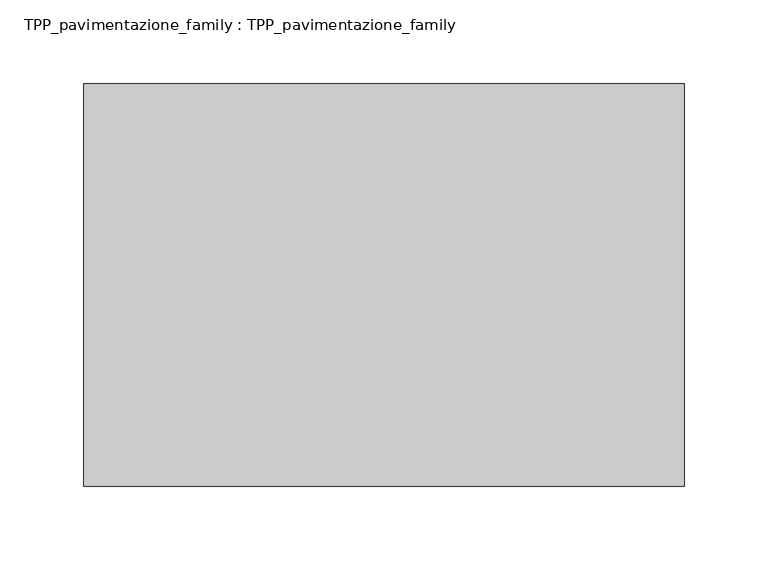
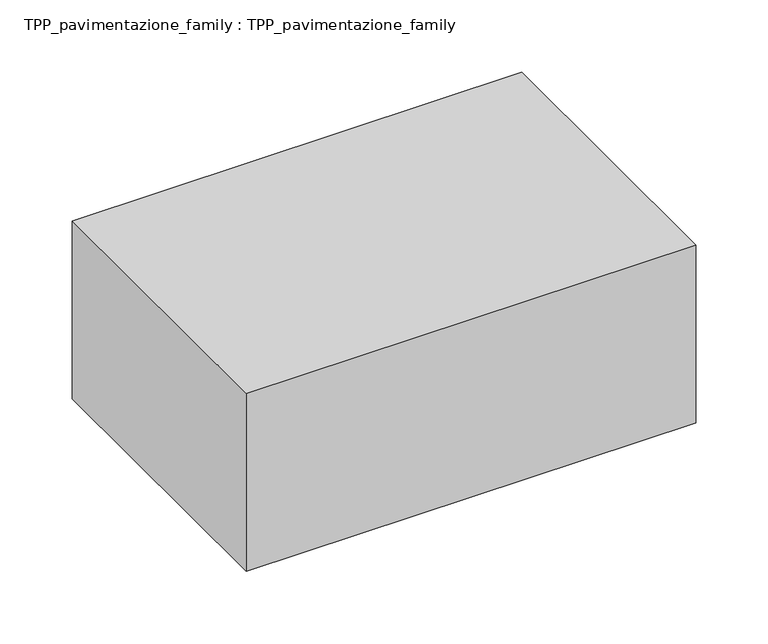
"""IFC4 building model written with IfcOpenShell, lengths in millimetres: proxy geometry, TPP_pavimentazione_family : TPP_pavimentazione_family."""

from ifc_helpers import new_model, si_unit, origin, origin_with_axes, place, context, project, spatial, polyline, outline, extrude, source, transform, mapped, element, save


def tpp_pavimentazione_family_tpp_pavimentazione_family_aa48bb56(model_context):
    return source(origin(), model_context, "Body", "SweptSolid", [
        extrude(outline(polyline([(511.8146187, 354.2201026), (511.8146187, 114.2201026), (153.638395, 114.2201026), (153.638395, 354.2201026), (511.8146187, 354.2201026)])), origin_with_axes(), (0.0, 0.0, 1.0), 150.0),
    ])


if __name__ == "__main__":
    model = new_model("IFC4")
    model_context = context("Model", 3, world=origin())
    ifc_project = project(units=[si_unit("LENGTHUNIT", "METRE", prefix="MILLI")], contexts=[model_context])
    site = spatial("IfcSite", under=ifc_project)
    building = spatial("IfcBuilding", under=site)
    placement = place(None, origin())
    tpp_pavimentazione_family_tpp_pavimentazione_family_shape = tpp_pavimentazione_family_tpp_pavimentazione_family_aa48bb56(model_context)
    element("IfcBuildingElementProxy", 1, Name="TPP_pavimentazione_family : TPP_pavimentazione_family", ObjectType="TPP_pavimentazione_family : TPP_pavimentazione_family", at=placement, inside=building, context=model_context, shape_type="MappedRepresentation", body=[
        mapped(tpp_pavimentazione_family_tpp_pavimentazione_family_shape, transform((0.0, 0.0, 0.0), x_axis=(1.0, 0.0, 0.0), y_axis=(0.0, 1.0, 0.0), z_axis=(0.0, 0.0, 1.0))),
    ])
    save(model, "model.ifc")
